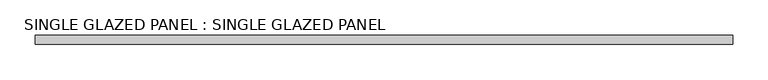
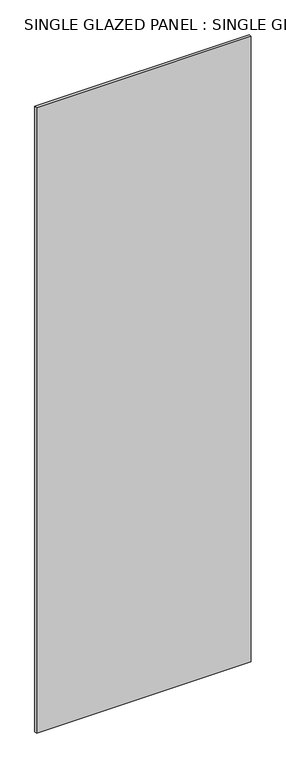
"""IFC4 building model written with IfcOpenShell, lengths in millimetres: plate geometry, SINGLE GLAZED PANEL : SINGLE GLAZED PANEL."""

import ifcopenshell
import ifcopenshell.guid

model = None  # the IFC model being written
_history = None  # IfcOwnerHistory: only IFC2X3 demands one
_inside = {}  # id of a spatial element -> (the spatial element, [elements in it])
_under = {}  # id of a project, library or spatial element -> (it, [spatial elements below it])
_declared = {}  # id of a project -> (the project, [libraries it declares])
_typed = {}  # id of a type object -> (the type object, [elements of that type])
_made_of = {}  # id of a material, layer set ... -> (it, [elements and type objects made of it])


def new_model(schema):
    """Start an empty IFC model of exactly this schema.

    Asked for "IFC4X3", IfcOpenShell would pick the latest addendum, in which some entities
    have other attributes; the version numbers below select the first issue.
    IFC2X3 requires an IfcOwnerHistory on every rooted entity: one is made here for all.
    """
    global model, _history
    if schema == "IFC4X3":
        model = ifcopenshell.file(schema_version=(4, 3, 0, 0))
    else:
        model = ifcopenshell.file(schema=schema)
    _inside.clear()
    _under.clear()
    _declared.clear()
    _typed.clear()
    _made_of.clear()
    _history = None
    if model.schema == "IFC2X3":
        org = make("IfcOrganization", Name="unknown")
        user = make(
            "IfcPersonAndOrganization",
            ThePerson=make("IfcPerson", FamilyName="unknown"),
            TheOrganization=org,
        )
        app = make(
            "IfcApplication",
            ApplicationDeveloper=org,
            Version="unknown",
            ApplicationFullName="unknown",
            ApplicationIdentifier="unknown",
        )
        _history = make(
            "IfcOwnerHistory",
            OwningUser=user,
            OwningApplication=app,
            ChangeAction="ADDED",
            CreationDate=0,
        )
    return model


def make(cls, **values):
    """One entity of the class cls with the attributes given. An attribute that is None is left unset."""
    return model.create_entity(
        cls, **{name: value for name, value in values.items() if value is not None}
    )


def rooted(cls, **values):
    """An entity with a GlobalId (a new one), such as an element, a storey or a relation."""
    return make(cls, GlobalId=ifcopenshell.guid.new(), OwnerHistory=_history, **values)


def si_unit(unit_type, name, prefix=None):
    """IfcSIUnit, for example si_unit("LENGTHUNIT", "METRE", prefix="MILLI")."""
    return make("IfcSIUnit", UnitType=unit_type, Prefix=prefix, Name=name)


def assignment(units):
    """IfcUnitAssignment: the units of a project."""
    return None if units is None else make("IfcUnitAssignment", Units=units)


def point(xyz):
    """IfcCartesianPoint."""
    return None if xyz is None else make("IfcCartesianPoint", Coordinates=xyz)


def direction(xyz):
    """IfcDirection."""
    return None if xyz is None else make("IfcDirection", DirectionRatios=xyz)


def frame(location, z_axis=None, x_axis=None):
    """IfcAxis2Placement3D, a coordinate frame: its origin and axes. An axis left out is left unset."""
    return make(
        "IfcAxis2Placement3D",
        Location=point(location),
        Axis=direction(z_axis),
        RefDirection=direction(x_axis),
    )


def origin():
    """The frame at (0, 0, 0) with its axes left unset."""
    return frame((0.0, 0.0, 0.0))


def origin_with_axes():
    """The frame at (0, 0, 0) with the z axis (0, 0, 1) and the x axis (1, 0, 0) written out."""
    return frame((0.0, 0.0, 0.0), z_axis=(0.0, 0.0, 1.0), x_axis=(1.0, 0.0, 0.0))


def place(relative_to, where):
    """IfcLocalPlacement: puts the frame where relative to a parent placement (None: the world)."""
    return make(
        "IfcLocalPlacement", PlacementRelTo=relative_to, RelativePlacement=where
    )


def context(
    kind, dimensions, precision=None, world=None, true_north=None, identifier=None
):
    """IfcGeometricRepresentationContext, for example the 3D "Model" context."""
    return make(
        "IfcGeometricRepresentationContext",
        ContextIdentifier=identifier,
        ContextType=kind,
        CoordinateSpaceDimension=dimensions,
        Precision=precision,
        WorldCoordinateSystem=world,
        TrueNorth=true_north,
    )


def project(units=None, contexts=None):
    """IfcProject with its units and contexts."""
    return rooted(
        "IfcProject",
        Name="project",
        RepresentationContexts=contexts,
        UnitsInContext=assignment(units),
    )


def spatial(cls, under=None, at=None, **own):
    """A site, building, storey or space (cls), placed at a placement, below another one or the project."""
    s = rooted(cls, ObjectPlacement=at, **own)
    if under is not None:
        _under.setdefault(under.id(), (under, []))[1].append(s)
    return s


def polyline(points):
    """IfcPolyline through the points."""
    return make("IfcPolyline", Points=[point(p) for p in points])


def outline(outer, holes=None, kind="AREA"):
    """IfcArbitraryClosedProfileDef: a profile drawn as a closed curve; with holes, ...WithVoids."""
    if holes is None:
        return make("IfcArbitraryClosedProfileDef", ProfileType=kind, OuterCurve=outer)
    return make(
        "IfcArbitraryProfileDefWithVoids",
        ProfileType=kind,
        OuterCurve=outer,
        InnerCurves=holes,
    )


def extrude(swept, where, along, depth):
    """IfcExtrudedAreaSolid: the profile swept, set in the frame where, extruded along a direction by depth."""
    return make(
        "IfcExtrudedAreaSolid",
        SweptArea=swept,
        Position=where,
        ExtrudedDirection=direction(along),
        Depth=depth,
    )


def shape(context_of_items, identifier, shape_type, items):
    """IfcShapeRepresentation: the items that make up one representation, for example the "Body"."""
    return make(
        "IfcShapeRepresentation",
        ContextOfItems=context_of_items,
        RepresentationIdentifier=identifier,
        RepresentationType=shape_type,
        Items=items,
    )


def source(mapping_origin, context_of_items, identifier, shape_type, items):
    """IfcRepresentationMap: a shape defined once, which mapped items show again and again."""
    return make(
        "IfcRepresentationMap",
        MappingOrigin=mapping_origin,
        MappedRepresentation=shape(context_of_items, identifier, shape_type, items),
    )


def transform(
    local_origin,
    x_axis=None,
    y_axis=None,
    z_axis=None,
    scale=None,
    scale2=None,
    scale3=None,
    uniform=True,
):
    """IfcCartesianTransformationOperator3D, or its non-uniform kind. x_axis, y_axis, z_axis: its Axis1, 2, 3."""
    if uniform:
        return make(
            "IfcCartesianTransformationOperator3D",
            Axis1=direction(x_axis),
            Axis2=direction(y_axis),
            LocalOrigin=point(local_origin),
            Scale=scale,
            Axis3=direction(z_axis),
        )
    return make(
        "IfcCartesianTransformationOperator3DnonUniform",
        Axis1=direction(x_axis),
        Axis2=direction(y_axis),
        LocalOrigin=point(local_origin),
        Scale=scale,
        Axis3=direction(z_axis),
        Scale2=scale2,
        Scale3=scale3,
    )


def mapped(mapping_source, mapping_target):
    """IfcMappedItem: shows the shape of a source again, moved by a transform."""
    return make(
        "IfcMappedItem", MappingSource=mapping_source, MappingTarget=mapping_target
    )


def made_of(thing, what):
    """Note that an element or type object is made of a material, layer set ...; save() writes the relation."""
    if what is not None:
        _made_of.setdefault(what.id(), (what, []))[1].append(thing)
    return thing


def element(
    cls,
    number,
    at=None,
    inside=None,
    cuts=None,
    type_object=None,
    material=None,
    context=None,
    identifier="Body",
    shape_type=None,
    held_by="IfcProductDefinitionShape",
    body=None,
    shapes=None,
    **own,
):
    """One element of the class cls, such as IfcWall. Its Tag is "e" and its number.

    at: its placement. inside: the storey or other place that contains it. cuts: it is an
    opening in that element (IfcRelVoidsElement). A single representation is given by context,
    identifier, shape_type and body (its items); several are given by shapes. held_by: the class
    of the entity that holds the representations. save() writes the other relations.
    """
    e = rooted(cls, Tag="e%d" % number, ObjectPlacement=at, **own)
    if body is not None:
        shapes = [shape(context, identifier, shape_type, body)]
    if shapes is not None:
        e.Representation = make(held_by, Representations=shapes)
    if inside is not None:
        _inside.setdefault(inside.id(), (inside, []))[1].append(e)
    if cuts is not None:
        rooted(
            "IfcRelVoidsElement", RelatingBuildingElement=cuts, RelatedOpeningElement=e
        )
    if type_object is not None:
        _typed.setdefault(type_object.id(), (type_object, []))[1].append(e)
    return made_of(e, material)


def aggregate(whole, parts):
    """IfcRelAggregates: a whole, such as a stair, and the parts it consists of."""
    return rooted("IfcRelAggregates", RelatingObject=whole, RelatedObjects=parts)


def save(model, path):
    """Write the relations noted so far, then the file.

    IfcRelAggregates (storeys below a building ...), IfcRelContainedInSpatialStructure (elements
    in a storey), IfcRelDefinesByType, IfcRelAssociatesMaterial and IfcRelDeclares: one each for
    every whole, place, type object, material and project.
    """
    for whole, parts in _under.values():
        aggregate(whole, parts)
    for where, things in _inside.values():
        rooted(
            "IfcRelContainedInSpatialStructure",
            RelatedElements=things,
            RelatingStructure=where,
        )
    for kind, things in _typed.values():
        rooted("IfcRelDefinesByType", RelatedObjects=things, RelatingType=kind)
    for what, things in _made_of.values():
        rooted("IfcRelAssociatesMaterial", RelatedObjects=things, RelatingMaterial=what)
    for by, libraries in _declared.values():
        rooted("IfcRelDeclares", RelatingContext=by, RelatedDefinitions=libraries)
    model.write(path)


def single_glazed_panel_single_glazed_panel_00029072(model_context):
    return source(origin(), model_context, "Body", "SweptSolid", [
        extrude(outline(polyline([(493.7125, 6.35), (493.7125, -6.35), (-493.7125, -6.35), (-493.7125, 6.35), (493.7125, 6.35)])), origin_with_axes(), (0.0, 0.0, 1.0), 3041.65),
    ])


if __name__ == "__main__":
    model = new_model("IFC4")
    model_context = context("Model", 3, world=origin())
    ifc_project = project(units=[si_unit("LENGTHUNIT", "METRE", prefix="MILLI")], contexts=[model_context])
    site = spatial("IfcSite", under=ifc_project)
    building = spatial("IfcBuilding", under=site)
    placement = place(None, origin())
    single_glazed_panel_single_glazed_panel_shape = single_glazed_panel_single_glazed_panel_00029072(model_context)
    element("IfcPlate", 1, ObjectType="SINGLE GLAZED PANEL : SINGLE GLAZED PANEL", at=placement, inside=building, context=model_context, shape_type="MappedRepresentation", body=[
        mapped(single_glazed_panel_single_glazed_panel_shape, transform((0.0, 0.0, 0.0), x_axis=(1.0, 0.0, 0.0), y_axis=(0.0, 1.0, 0.0), z_axis=(0.0, 0.0, 1.0))),
    ])
    save(model, "model.ifc")
